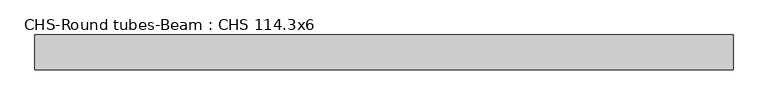
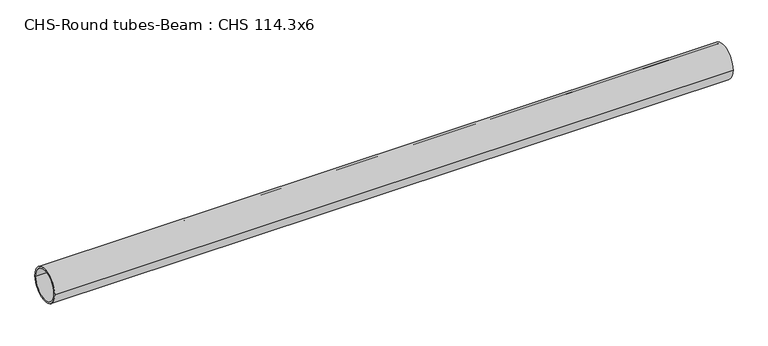
"""IFC4 building model written with IfcOpenShell, lengths in millimetres: beam geometry, CHS-Round tubes-Beam : CHS 114.3x6."""

from ifc_helpers import new_model, si_unit, point, frame, origin, origin_2d, place, context, project, spatial, circle_curve, trimmed, segment, composite_curve, outline, extrude, source, transform, mapped, element, save


def chs_round_tubes_beam_chs_114_3x6_8a8b0732(model_context):
    return source(origin(), model_context, "Body", "SweptSolid", [
        extrude(outline(composite_curve([segment(trimmed(circle_curve(origin_2d(), 57.15), [point((57.15, 0.0))], [point((-57.15, 0.0))], False, "CARTESIAN"), True, "CONTINUOUS"), segment(trimmed(circle_curve(origin_2d(), 57.15), [point((-57.15, 0.0))], [point((57.15, 0.0))], False, "CARTESIAN"), True, "CONTINUOUS")], self_intersect=False), holes=[composite_curve([segment(trimmed(circle_curve(origin_2d(), 51.15), [point((51.15, 0.0))], [point((-51.15, 0.0))], True, "CARTESIAN"), True, "CONTINUOUS"), segment(trimmed(circle_curve(origin_2d(), 51.15), [point((-51.15, 0.0))], [point((51.15, 0.0))], True, "CARTESIAN"), True, "CONTINUOUS")], self_intersect=False)]), frame((-1099.0666493, 0.0, 0.0), z_axis=(1.0, 0.0, 0.0), x_axis=(0.0, 1.0, 0.0)), (0.0, 0.0, 1.0), 2282.484026),
    ])


if __name__ == "__main__":
    model = new_model("IFC4")
    model_context = context("Model", 3, world=origin())
    ifc_project = project(units=[si_unit("LENGTHUNIT", "METRE", prefix="MILLI")], contexts=[model_context])
    site = spatial("IfcSite", under=ifc_project)
    building = spatial("IfcBuilding", under=site)
    placement = place(None, origin())
    chs_round_tubes_beam_chs_114_3x6_shape = chs_round_tubes_beam_chs_114_3x6_8a8b0732(model_context)
    element("IfcBeam", 1, ObjectType="CHS-Round tubes-Beam : CHS 114.3x6", at=placement, inside=building, context=model_context, shape_type="MappedRepresentation", body=[
        mapped(chs_round_tubes_beam_chs_114_3x6_shape, transform((0.0, 0.0, 0.0), x_axis=(1.0, 0.0, 0.0), y_axis=(0.0, 1.0, 0.0), z_axis=(0.0, 0.0, 1.0))),
    ])
    save(model, "model.ifc")
